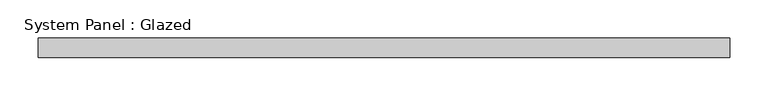
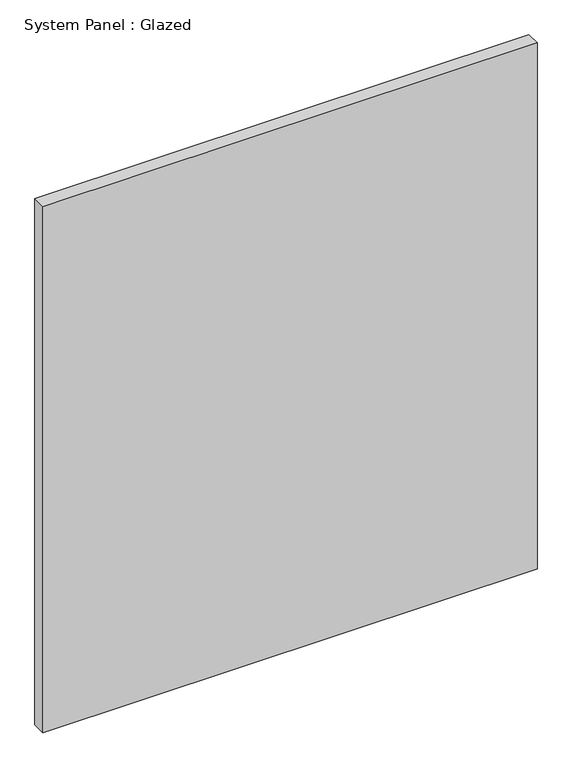
"""IFC4 building model written with IfcOpenShell, lengths in millimetres: plate geometry, System Panel : Glazed."""

from ifc_helpers import new_model, si_unit, origin, origin_with_axes, place, context, project, spatial, polyline, outline, extrude, source, transform, mapped, element, save


def system_panel_glazed_27865e9c(model_context):
    return source(origin(), model_context, "Body", "SweptSolid", [
        extrude(outline(polyline([(450.85, -12.7), (-450.85, -12.7), (-450.85, 12.7), (450.85, 12.7), (450.85, -12.7)])), origin_with_axes(), (0.0, 0.0, 1.0), 1016.0),
    ])


if __name__ == "__main__":
    model = new_model("IFC4")
    model_context = context("Model", 3, world=origin())
    ifc_project = project(units=[si_unit("LENGTHUNIT", "METRE", prefix="MILLI")], contexts=[model_context])
    site = spatial("IfcSite", under=ifc_project)
    building = spatial("IfcBuilding", under=site)
    placement = place(None, origin())
    system_panel_glazed_shape = system_panel_glazed_27865e9c(model_context)
    element("IfcPlate", 1, ObjectType="System Panel : Glazed", at=placement, inside=building, context=model_context, shape_type="MappedRepresentation", body=[
        mapped(system_panel_glazed_shape, transform((0.0, 0.0, 0.0), x_axis=(1.0, 0.0, 0.0), y_axis=(0.0, 1.0, 0.0), z_axis=(0.0, 0.0, 1.0))),
    ])
    save(model, "model.ifc")
